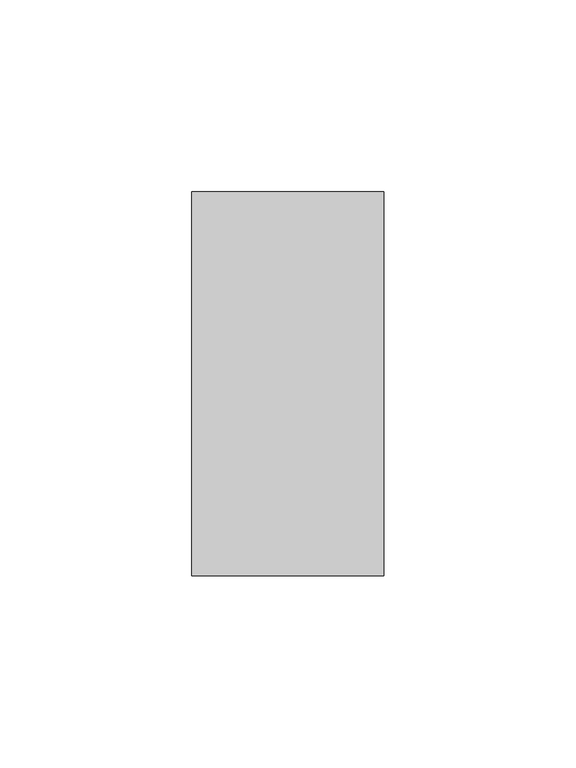
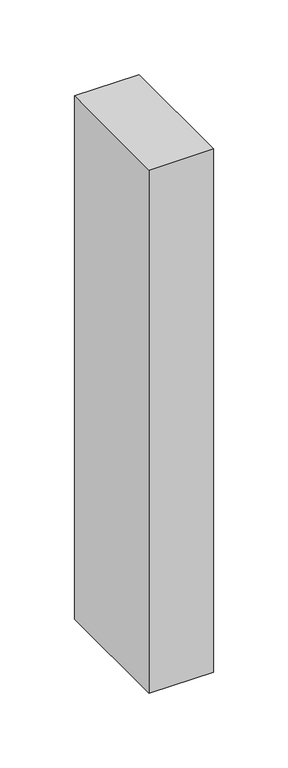
"""IFC4 building model written with IfcOpenShell, lengths in millimetres: member geometry."""

from ifc_helpers import new_model, si_unit, frame, origin, place, context, project, spatial, polyline, outline, extrude, source, transform, mapped, element, save


def member_f81740a8(model_context):
    return source(origin(), model_context, "Body", "SweptSolid", [
        extrude(outline(polyline([(0.0, 50.0), (0.0, -50.0), (-50.0, -50.0), (-50.0, 50.0), (0.0, 50.0)])), frame((0.0, 0.0, -428.3552083), z_axis=(0.0, 0.0, 1.0), x_axis=(1.0, 0.0, 0.0)), (0.0, 0.0, 1.0), 428.3552083),
    ])


if __name__ == "__main__":
    model = new_model("IFC4")
    model_context = context("Model", 3, world=origin())
    ifc_project = project(units=[si_unit("LENGTHUNIT", "METRE", prefix="MILLI")], contexts=[model_context])
    site = spatial("IfcSite", under=ifc_project)
    building = spatial("IfcBuilding", under=site)
    placement = place(None, origin())
    member_shape = member_f81740a8(model_context)
    element("IfcMember", 1, at=placement, inside=building, context=model_context, shape_type="MappedRepresentation", body=[
        mapped(member_shape, transform((0.0, 0.0, 0.0), x_axis=(1.0, 0.0, 0.0), y_axis=(0.0, 1.0, 0.0), z_axis=(0.0, 0.0, 1.0))),
    ])
    save(model, "model.ifc")
